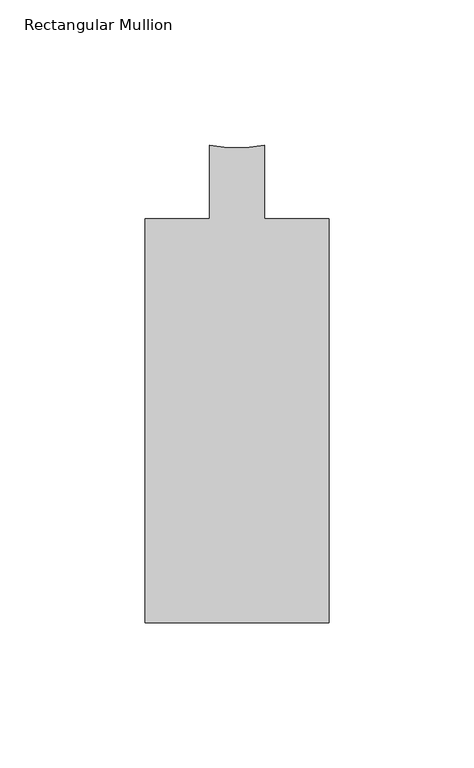
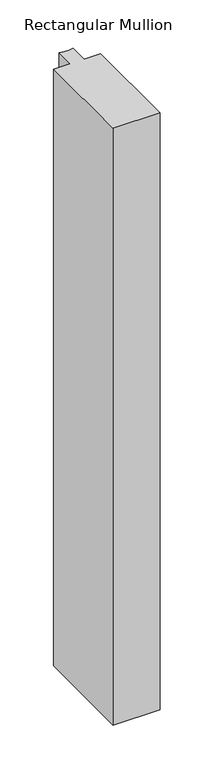
"""IFC4 building model written with IfcOpenShell, lengths in millimetres: member geometry, Rectangular Mullion."""

from ifc_helpers import new_model, si_unit, point, frame, frame_2d, origin, place, context, project, spatial, polyline, circle_curve, trimmed, segment, composite_curve, outline, extrude, source, transform, mapped, element, save


def rectangular_mullion_3996b760(model_context):
    return source(origin(), model_context, "Body", "SweptSolid", [
        extrude(outline(composite_curve([segment(polyline([(31.7501132, -164.6039063), (-31.75, -164.6039062), (-31.75, -25.4119063), (-9.5251132, -25.4119063), (-9.5251132, -0.0119063)]), True, "CONTINUOUS"), segment(trimmed(circle_curve(frame_2d((0.0, 40.683678)), 41.7954347), [point((-9.5251132, -0.0119063))], [point((9.525, -0.0119327))], True, "CARTESIAN"), True, "CONTINUOUS"), segment(polyline([(9.525, -0.0119327), (9.525, -25.4119063), (31.7501132, -25.4119063), (31.7501132, -164.6039063)]), True, "CONTINUOUS")], self_intersect=False)), frame((0.0, 0.0, -850.2604121), z_axis=(0.0, 0.0, 1.0), x_axis=(1.0, 0.0, 0.0)), (0.0, 0.0, 1.0), 850.2604121),
    ])


if __name__ == "__main__":
    model = new_model("IFC4")
    model_context = context("Model", 3, world=origin())
    ifc_project = project(units=[si_unit("LENGTHUNIT", "METRE", prefix="MILLI")], contexts=[model_context])
    site = spatial("IfcSite", under=ifc_project)
    building = spatial("IfcBuilding", under=site)
    placement = place(None, origin())
    rectangular_mullion_shape = rectangular_mullion_3996b760(model_context)
    element("IfcMember", 1, ObjectType="Rectangular Mullion", at=placement, inside=building, context=model_context, shape_type="MappedRepresentation", body=[
        mapped(rectangular_mullion_shape, transform((0.0, 0.0, 0.0), x_axis=(1.0, 0.0, 0.0), y_axis=(0.0, 1.0, 0.0), z_axis=(0.0, 0.0, 1.0))),
    ])
    save(model, "model.ifc")
